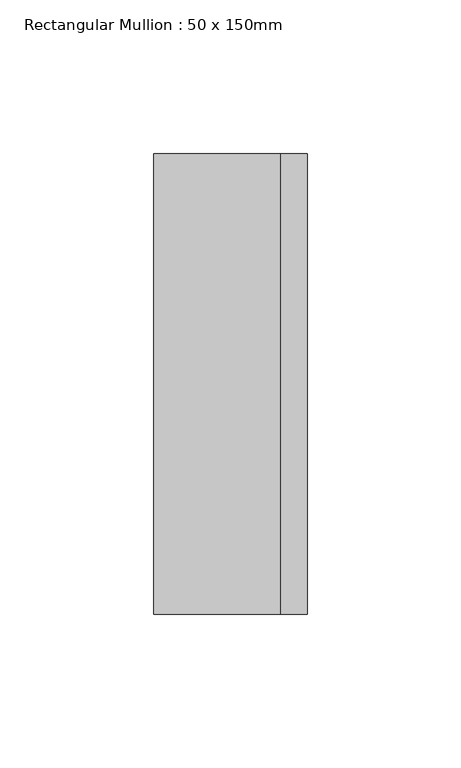
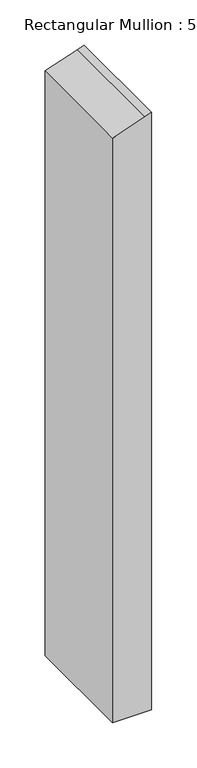
"""IFC4 building model written with IfcOpenShell, lengths in millimetres: member geometry, Rectangular Mullion : 50 x 150mm."""

from ifc_helpers import new_model, si_unit, point, frame, frame_2d, origin, place, context, project, spatial, polyline, circle_curve, trimmed, segment, composite_curve, outline, extrude, source, transform, mapped, element, save


def rectangular_mullion_50_x_150mm_097581d7(model_context):
    return source(origin(), model_context, "Body", "SweptSolid", [
        extrude(outline(composite_curve([segment(trimmed(circle_curve(frame_2d((4003.2844069, -1393.4685979)), 4288.8725831), [point((-44.2302467, 25.0))], [point((-47.221119, 16.4367242))], True, "CARTESIAN"), True, "CONTINUOUS"), segment(trimmed(circle_curve(frame_2d((4003.2844069, -1393.4685979)), 4288.8725831), [point((-47.221119, 16.4367242))], [point((-61.4076762, -25.0))], True, "CARTESIAN"), True, "CONTINUOUS"), segment(polyline([(-61.4076762, -25.0), (-852.2367, -25.0), (-852.2367, 25.0), (-44.2302467, 25.0)]), True, "CONTINUOUS")], self_intersect=False)), frame((0.0, -75.0, 0.0), z_axis=(0.0, 1.0, 0.0), x_axis=(0.0, 0.0, 1.0)), (0.0, 0.0, 1.0), 150.0),
    ])


if __name__ == "__main__":
    model = new_model("IFC4")
    model_context = context("Model", 3, world=origin())
    ifc_project = project(units=[si_unit("LENGTHUNIT", "METRE", prefix="MILLI")], contexts=[model_context])
    site = spatial("IfcSite", under=ifc_project)
    building = spatial("IfcBuilding", under=site)
    placement = place(None, origin())
    rectangular_mullion_50_x_150mm_shape = rectangular_mullion_50_x_150mm_097581d7(model_context)
    element("IfcMember", 1, ObjectType="Rectangular Mullion : 50 x 150mm", at=placement, inside=building, context=model_context, shape_type="MappedRepresentation", body=[
        mapped(rectangular_mullion_50_x_150mm_shape, transform((0.0, 0.0, 0.0), x_axis=(1.0, 0.0, 0.0), y_axis=(0.0, 1.0, 0.0), z_axis=(0.0, 0.0, 1.0))),
    ])
    save(model, "model.ifc")
